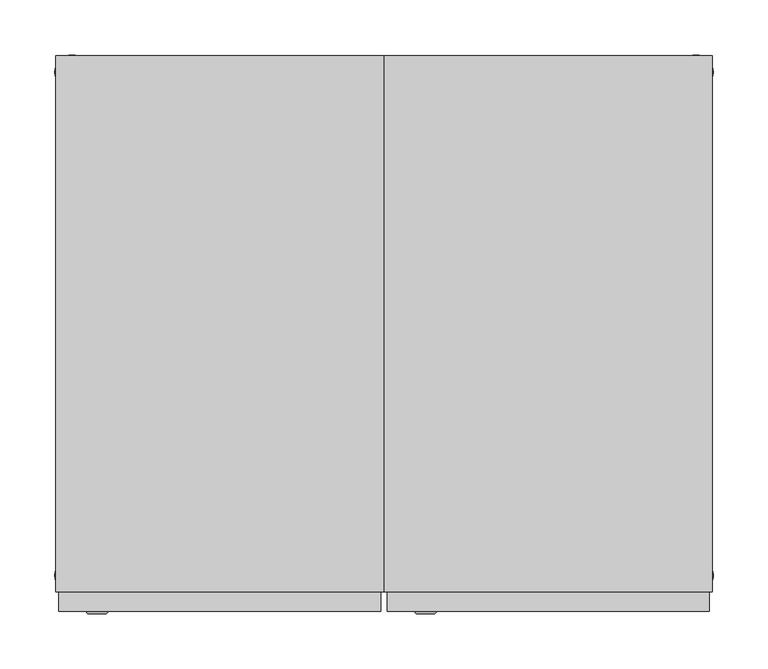
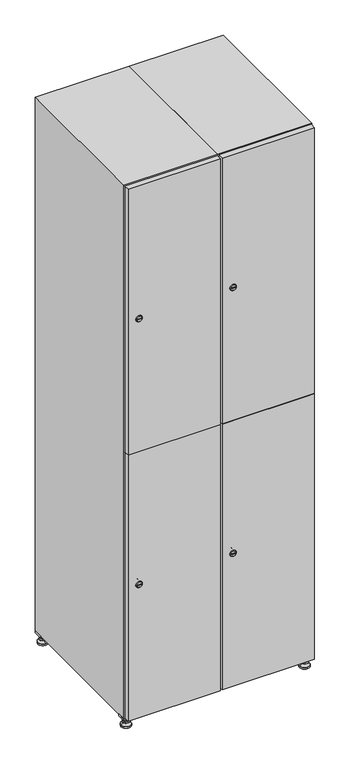
"""IFC4 building model written with IfcOpenShell, lengths in millimetres: furniture geometry."""

from ifc_helpers import new_model, si_unit, point, frame, frame_2d, origin, origin_with_axes, place, context, project, spatial, polyline, circle_curve, trimmed, segment, composite_curve, outline, extrude, faceted_brep, source, transform, mapped, element, save
from ifc_brep_helpers import plane_surface, revolved_surface, advanced_brep


def furniture_2d63f9cd(model_context):
    return source(origin(), model_context, "Body", "SolidModel", [
        extrude(outline(polyline([(400.0, 245.0), (400.0, 215.0), (370.0, 215.0), (370.0, 245.0), (400.0, 245.0)]), holes=[polyline([(398.0, 243.0), (372.0, 243.0), (372.0, 217.0), (398.0, 217.0), (398.0, 243.0)])]), frame((0.0, 0.0, 28.5), z_axis=(0.0, 0.0, 1.0), x_axis=(1.0, 0.0, 0.0)), (0.0, 0.0, 1.0), 6.5),
        extrude(outline(polyline([(370.0, -245.0), (370.0, -215.0), (400.0, -215.0), (400.0, -245.0), (370.0, -245.0)]), holes=[polyline([(372.0, -243.0), (398.0, -243.0), (398.0, -217.0), (372.0, -217.0), (372.0, -243.0)])]), frame((0.0, 0.0, 28.5), z_axis=(0.0, 0.0, 1.0), x_axis=(1.0, 0.0, 0.0)), (0.0, 0.0, 1.0), 6.5),
        extrude(outline(polyline([(-170.0, 245.0), (-170.0, 215.0), (-200.0, 215.0), (-200.0, 245.0), (-170.0, 245.0)]), holes=[polyline([(-172.0, 243.0), (-198.0, 243.0), (-198.0, 217.0), (-172.0, 217.0), (-172.0, 243.0)])]), frame((0.0, 0.0, 28.5), z_axis=(0.0, 0.0, 1.0), x_axis=(1.0, 0.0, 0.0)), (0.0, 0.0, 1.0), 6.5),
        extrude(outline(polyline([(-170.0, -215.0), (-170.0, -245.0), (-200.0, -245.0), (-200.0, -215.0), (-170.0, -215.0)]), holes=[polyline([(-198.0, -243.0), (-172.0, -243.0), (-172.0, -217.0), (-198.0, -217.0), (-198.0, -243.0)])]), frame((0.0, 0.0, 28.5), z_axis=(0.0, 0.0, 1.0), x_axis=(1.0, 0.0, 0.0)), (0.0, 0.0, 1.0), 6.5),
        extrude(outline(composite_curve([segment(trimmed(circle_curve(frame_2d((-185.0, 230.0)), 5.0), [point((-180.0, 230.0))], [point((-190.0, 230.0))], False, "CARTESIAN"), True, "CONTINUOUS"), segment(trimmed(circle_curve(frame_2d((-185.0, 230.0)), 5.0), [point((-190.0, 230.0))], [point((-180.0, 230.0))], False, "CARTESIAN"), True, "CONTINUOUS")], self_intersect=False)), frame((0.0, 0.0, 19.6), z_axis=(0.0, 0.0, 1.0), x_axis=(1.0, 0.0, 0.0)), (0.0, 0.0, 1.0), 15.4),
        extrude(outline(composite_curve([segment(trimmed(circle_curve(frame_2d((-185.0, -230.0)), 5.0), [point((-180.0, -230.0))], [point((-190.0, -230.0))], False, "CARTESIAN"), True, "CONTINUOUS"), segment(trimmed(circle_curve(frame_2d((-185.0, -230.0)), 5.0), [point((-190.0, -230.0))], [point((-180.0, -230.0))], False, "CARTESIAN"), True, "CONTINUOUS")], self_intersect=False)), frame((0.0, 0.0, 19.6), z_axis=(0.0, 0.0, 1.0), x_axis=(1.0, 0.0, 0.0)), (0.0, 0.0, 1.0), 15.4),
        extrude(outline(composite_curve([segment(trimmed(circle_curve(frame_2d((385.0, 230.0)), 5.0), [point((390.0, 230.0))], [point((380.0, 230.0))], False, "CARTESIAN"), True, "CONTINUOUS"), segment(trimmed(circle_curve(frame_2d((385.0, 230.0)), 5.0), [point((380.0, 230.0))], [point((390.0, 230.0))], False, "CARTESIAN"), True, "CONTINUOUS")], self_intersect=False)), frame((0.0, 0.0, 19.6), z_axis=(0.0, 0.0, 1.0), x_axis=(1.0, 0.0, 0.0)), (0.0, 0.0, 1.0), 15.4),
        extrude(outline(polyline([(373.4529946, 230.0), (379.2264973, 240.0), (390.7735027, 240.0), (396.5470054, 230.0), (390.7735027, 220.0), (379.2264973, 220.0), (373.4529946, 230.0)])), frame((0.0, 0.0, 13.6), z_axis=(0.0, 0.0, 1.0), x_axis=(1.0, 0.0, 0.0)), (0.0, 0.0, 1.0), 6.0),
        extrude(outline(composite_curve([segment(trimmed(circle_curve(frame_2d((385.0, -230.0)), 5.0), [point((390.0, -230.0))], [point((380.0, -230.0))], False, "CARTESIAN"), True, "CONTINUOUS"), segment(trimmed(circle_curve(frame_2d((385.0, -230.0)), 5.0), [point((380.0, -230.0))], [point((390.0, -230.0))], False, "CARTESIAN"), True, "CONTINUOUS")], self_intersect=False)), frame((0.0, 0.0, 19.6), z_axis=(0.0, 0.0, 1.0), x_axis=(1.0, 0.0, 0.0)), (0.0, 0.0, 1.0), 15.4),
        extrude(outline(polyline([(373.4529946, -230.0), (379.2264973, -220.0), (390.7735027, -220.0), (396.5470054, -230.0), (390.7735027, -240.0), (379.2264973, -240.0), (373.4529946, -230.0)])), frame((0.0, 0.0, 13.6), z_axis=(0.0, 0.0, 1.0), x_axis=(1.0, 0.0, 0.0)), (0.0, 0.0, 1.0), 6.0),
        extrude(outline(composite_curve([segment(trimmed(circle_curve(frame_2d((385.0, 230.0)), 5.0), [point((390.0, 230.0))], [point((380.0, 230.0))], False, "CARTESIAN"), True, "CONTINUOUS"), segment(trimmed(circle_curve(frame_2d((385.0, 230.0)), 5.0), [point((380.0, 230.0))], [point((390.0, 230.0))], False, "CARTESIAN"), True, "CONTINUOUS")], self_intersect=False)), frame((0.0, 0.0, 12.1), z_axis=(0.0, 0.0, 1.0), x_axis=(1.0, 0.0, 0.0)), (0.0, 0.0, 1.0), 1.5),
        extrude(outline(composite_curve([segment(trimmed(circle_curve(frame_2d((385.0, -230.0)), 5.0), [point((390.0, -230.0))], [point((380.0, -230.0))], False, "CARTESIAN"), True, "CONTINUOUS"), segment(trimmed(circle_curve(frame_2d((385.0, -230.0)), 5.0), [point((380.0, -230.0))], [point((390.0, -230.0))], False, "CARTESIAN"), True, "CONTINUOUS")], self_intersect=False)), frame((0.0, 0.0, 12.1), z_axis=(0.0, 0.0, 1.0), x_axis=(1.0, 0.0, 0.0)), (0.0, 0.0, 1.0), 1.5),
        extrude(outline(polyline([(-196.5470054, 230.0), (-190.7735027, 240.0), (-179.2264973, 240.0), (-173.4529946, 230.0), (-179.2264973, 220.0), (-190.7735027, 220.0), (-196.5470054, 230.0)])), frame((0.0, 0.0, 13.6), z_axis=(0.0, 0.0, 1.0), x_axis=(1.0, 0.0, 0.0)), (0.0, 0.0, 1.0), 6.0),
        extrude(outline(polyline([(-196.5470054, -230.0), (-190.7735027, -220.0), (-179.2264973, -220.0), (-173.4529946, -230.0), (-179.2264973, -240.0), (-190.7735027, -240.0), (-196.5470054, -230.0)])), frame((0.0, 0.0, 13.6), z_axis=(0.0, 0.0, 1.0), x_axis=(1.0, 0.0, 0.0)), (0.0, 0.0, 1.0), 6.0),
        extrude(outline(composite_curve([segment(trimmed(circle_curve(frame_2d((-185.0, 230.0)), 5.0), [point((-185.0, 235.0))], [point((-185.0, 225.0))], False, "CARTESIAN"), True, "CONTINUOUS"), segment(trimmed(circle_curve(frame_2d((-185.0, 230.0)), 5.0), [point((-185.0, 225.0))], [point((-185.0, 235.0))], False, "CARTESIAN"), True, "CONTINUOUS")], self_intersect=False)), frame((0.0, 0.0, 12.1), z_axis=(0.0, 0.0, 1.0), x_axis=(1.0, 0.0, 0.0)), (0.0, 0.0, 1.0), 1.5),
        extrude(outline(composite_curve([segment(trimmed(circle_curve(frame_2d((-185.0, -230.0)), 5.0), [point((-180.0, -230.0))], [point((-190.0, -230.0))], False, "CARTESIAN"), True, "CONTINUOUS"), segment(trimmed(circle_curve(frame_2d((-185.0, -230.0)), 5.0), [point((-190.0, -230.0))], [point((-180.0, -230.0))], False, "CARTESIAN"), True, "CONTINUOUS")], self_intersect=False)), frame((0.0, 0.0, 12.1), z_axis=(0.0, 0.0, 1.0), x_axis=(1.0, 0.0, 0.0)), (0.0, 0.0, 1.0), 1.5),
        extrude(outline(composite_curve([segment(trimmed(circle_curve(frame_2d((385.0, 230.0)), 15.75), [point((400.75, 230.0))], [point((369.25, 230.0))], False, "CARTESIAN"), True, "CONTINUOUS"), segment(trimmed(circle_curve(frame_2d((385.0, 230.0)), 15.75), [point((369.25, 230.0))], [point((400.75, 230.0))], False, "CARTESIAN"), True, "CONTINUOUS")], self_intersect=False)), origin_with_axes(), (0.0, 0.0, 1.0), 5.1),
        extrude(outline(composite_curve([segment(trimmed(circle_curve(frame_2d((385.0, -230.0)), 15.75), [point((385.0, -214.25))], [point((385.0, -245.75))], False, "CARTESIAN"), True, "CONTINUOUS"), segment(trimmed(circle_curve(frame_2d((385.0, -230.0)), 15.75), [point((385.0, -245.75))], [point((385.0, -214.25))], False, "CARTESIAN"), True, "CONTINUOUS")], self_intersect=False)), origin_with_axes(), (0.0, 0.0, 1.0), 5.1),
        extrude(outline(composite_curve([segment(trimmed(circle_curve(frame_2d((-185.0, -230.0)), 15.75), [point((-169.25, -230.0))], [point((-200.75, -230.0))], False, "CARTESIAN"), True, "CONTINUOUS"), segment(trimmed(circle_curve(frame_2d((-185.0, -230.0)), 15.75), [point((-200.75, -230.0))], [point((-169.25, -230.0))], False, "CARTESIAN"), True, "CONTINUOUS")], self_intersect=False)), origin_with_axes(), (0.0, 0.0, 1.0), 5.1),
        extrude(outline(composite_curve([segment(trimmed(circle_curve(frame_2d((-185.0, 230.0)), 15.75), [point((-169.25, 230.0))], [point((-200.75, 230.0))], False, "CARTESIAN"), True, "CONTINUOUS"), segment(trimmed(circle_curve(frame_2d((-185.0, 230.0)), 15.75), [point((-200.75, 230.0))], [point((-169.25, 230.0))], False, "CARTESIAN"), True, "CONTINUOUS")], self_intersect=False)), origin_with_axes(), (0.0, 0.0, 1.0), 5.1),
        advanced_brep(
        [(-185.0, 239.5, 12.1), (-185.0, 220.5, 12.1), (-185.0, 214.25, 5.1), (-185.0, 245.75, 5.1)],
        [
            (0, 1, circle_curve(frame((-185.0, 230.0, 12.1), z_axis=(0.0, 0.0, -1.0), x_axis=(0.0, 1.0, 0.0)), 9.5)),
            (1, 2),
            (2, 3, circle_curve(frame((-185.0, 230.0, 5.1), z_axis=(0.0, 0.0, 1.0), x_axis=(0.0, 1.0, 0.0)), 15.75)),
            (3, 0),
            (1, 0, circle_curve(frame((-185.0, 230.0, 12.1), z_axis=(0.0, 0.0, -1.0), x_axis=(0.0, -1.0, 0.0)), 9.5)),
            (3, 2, circle_curve(frame((-185.0, 230.0, 5.1), z_axis=(0.0, 0.0, 1.0), x_axis=(0.0, -1.0, 0.0)), 15.75)),
        ],
        [
            revolved_surface(polyline([(-185.0, 220.5, 12.099999999999998), (-185.0, 214.25, 5.099999999999998)]), (-185.0, 230.0, 22.74), (0.0, 0.0, -1.0)),
            revolved_surface(polyline([(-185.0, 239.5, 12.099999999999998), (-185.0, 245.75, 5.099999999999998)]), (-185.0, 230.0, 22.74), (0.0, 0.0, -1.0)),
            plane_surface(frame((-185.0, 230.0, 5.1), z_axis=(0.0, 0.0, -1.0), x_axis=(1.0, 0.0, 0.0))),
            plane_surface(frame((-185.0, 230.0, 12.1), z_axis=(0.0, 0.0, 1.0), x_axis=(1.0, 0.0, 0.0))),
        ],
        [
            (0, [[1, 2, 3, 4]]),
            (1, [[5, -4, 6, -2]]),
            (2, [[-3, -6]]),
            (3, [[-5, -1]]),
        ],
    ),
        advanced_brep(
        [(385.0, 239.5, 12.1), (385.0, 220.5, 12.1), (385.0, 214.25, 5.1), (385.0, 245.75, 5.1)],
        [
            (0, 1, circle_curve(frame((385.0, 230.0, 12.1), z_axis=(0.0, 0.0, -1.0), x_axis=(0.0, 1.0, 0.0)), 9.5)),
            (1, 2),
            (2, 3, circle_curve(frame((385.0, 230.0, 5.1), z_axis=(0.0, 0.0, 1.0), x_axis=(0.0, 1.0, 0.0)), 15.75)),
            (3, 0),
            (1, 0, circle_curve(frame((385.0, 230.0, 12.1), z_axis=(0.0, 0.0, -1.0), x_axis=(0.0, -1.0, 0.0)), 9.5)),
            (3, 2, circle_curve(frame((385.0, 230.0, 5.1), z_axis=(0.0, 0.0, 1.0), x_axis=(0.0, -1.0, 0.0)), 15.75)),
        ],
        [
            revolved_surface(polyline([(385.0, 220.5, 12.099999999999998), (385.0, 214.25, 5.099999999999998)]), (385.0, 230.0, 22.74), (0.0, 0.0, -1.0)),
            revolved_surface(polyline([(385.0, 239.5, 12.099999999999998), (385.0, 245.75, 5.099999999999998)]), (385.0, 230.0, 22.74), (0.0, 0.0, -1.0)),
            plane_surface(frame((385.0, 230.0, 5.1), z_axis=(0.0, 0.0, -1.0), x_axis=(1.0, 0.0, 0.0))),
            plane_surface(frame((385.0, 230.0, 12.1), z_axis=(0.0, 0.0, 1.0), x_axis=(1.0, 0.0, 0.0))),
        ],
        [
            (0, [[1, 2, 3, 4]]),
            (1, [[5, -4, 6, -2]]),
            (2, [[-3, -6]]),
            (3, [[-5, -1]]),
        ],
    ),
        advanced_brep(
        [(400.75, -230.0, 5.1), (369.25, -230.0, 5.1), (375.5, -230.0, 12.1), (394.5, -230.0, 12.1)],
        [
            (0, 1, circle_curve(frame((385.0, -230.0, 5.1), z_axis=(0.0, 0.0, 1.0), x_axis=(1.0, 0.0, 0.0)), 15.75)),
            (1, 2),
            (2, 3, circle_curve(frame((385.0, -230.0, 12.1), z_axis=(0.0, 0.0, -1.0), x_axis=(1.0, 0.0, 0.0)), 9.5)),
            (3, 0),
            (1, 0, circle_curve(frame((385.0, -230.0, 5.1), z_axis=(0.0, 0.0, 1.0), x_axis=(-1.0, 0.0, 0.0)), 15.75)),
            (3, 2, circle_curve(frame((385.0, -230.0, 12.1), z_axis=(0.0, 0.0, -1.0), x_axis=(-1.0, 0.0, 0.0)), 9.5)),
        ],
        [
            revolved_surface(polyline([(394.5, -230.0, 12.099999999999998), (400.75, -230.0, 5.099999999999998)]), (385.0, -230.0, 22.74), (0.0, 0.0, -1.0)),
            revolved_surface(polyline([(375.5, -230.0, 12.099999999999998), (369.25, -230.0, 5.099999999999998)]), (385.0, -230.0, 22.74), (0.0, 0.0, -1.0)),
            plane_surface(frame((385.0, -230.0, 12.1), z_axis=(0.0, 0.0, 1.0), x_axis=(0.0, 1.0, 0.0))),
            plane_surface(frame((385.0, -230.0, 5.1), z_axis=(0.0, 0.0, -1.0), x_axis=(0.0, 1.0, 0.0))),
        ],
        [
            (0, [[1, 2, 3, 4]]),
            (1, [[5, -4, 6, -2]]),
            (2, [[-3, -6]]),
            (3, [[-5, -1]]),
        ],
    ),
        advanced_brep(
        [(-169.25, -230.0, 5.1), (-200.75, -230.0, 5.1), (-194.5, -230.0, 12.1), (-175.5, -230.0, 12.1)],
        [
            (0, 1, circle_curve(frame((-185.0, -230.0, 5.1), z_axis=(0.0, 0.0, 1.0), x_axis=(1.0, 0.0, 0.0)), 15.75)),
            (1, 2),
            (2, 3, circle_curve(frame((-185.0, -230.0, 12.1), z_axis=(0.0, 0.0, -1.0), x_axis=(1.0, 0.0, 0.0)), 9.5)),
            (3, 0),
            (1, 0, circle_curve(frame((-185.0, -230.0, 5.1), z_axis=(0.0, 0.0, 1.0), x_axis=(-1.0, 0.0, 0.0)), 15.75)),
            (3, 2, circle_curve(frame((-185.0, -230.0, 12.1), z_axis=(0.0, 0.0, -1.0), x_axis=(-1.0, 0.0, 0.0)), 9.5)),
        ],
        [
            revolved_surface(polyline([(-175.5, -230.0, 12.099999999999998), (-169.25, -230.0, 5.099999999999998)]), (-185.0, -230.0, 22.74), (0.0, 0.0, -1.0)),
            revolved_surface(polyline([(-194.5, -230.0, 12.099999999999998), (-200.75, -230.0, 5.099999999999998)]), (-185.0, -230.0, 22.74), (0.0, 0.0, -1.0)),
            plane_surface(frame((-185.0, -230.0, 12.1), z_axis=(0.0, 0.0, 1.0), x_axis=(0.0, 1.0, 0.0))),
            plane_surface(frame((-185.0, -230.0, 5.1), z_axis=(0.0, 0.0, -1.0), x_axis=(0.0, 1.0, 0.0))),
        ],
        [
            (0, [[1, 2, 3, 4]]),
            (1, [[5, -4, 6, -2]]),
            (2, [[-3, -6]]),
            (3, [[-5, -1]]),
        ],
    ),
        extrude(outline(composite_curve([segment(trimmed(circle_curve(frame_2d((486.5, 111.2010534)), 7.0), [point((493.5, 111.2010534))], [point((479.5, 111.2010534))], False, "CARTESIAN"), True, "CONTINUOUS"), segment(polyline([(479.5, 111.2010534), (479.5, 139.2010534)]), True, "CONTINUOUS"), segment(trimmed(circle_curve(frame_2d((486.5, 139.2010534)), 7.0), [point((479.5, 139.2010534))], [point((493.5, 139.2010534))], False, "CARTESIAN"), True, "CONTINUOUS"), segment(polyline([(493.5, 139.2010534), (493.5, 111.2010534)]), True, "CONTINUOUS")], self_intersect=False)), frame((0.0, -245.0, 0.0), z_axis=(0.0, 1.0, 0.0), x_axis=(0.0, 0.0, 1.0)), (0.0, 0.0, 1.0), 2.0),
        advanced_brep(
        [(146.5, -265.2, 486.5), (129.5, -265.2, 486.5), (133.0, -265.2, 485.25), (133.0, -265.2, 487.75), (143.0, -265.2, 487.75), (143.0, -265.2, 485.25), (148.5, -263.0, 486.5), (127.5, -263.0, 486.5), (133.0, -263.0, 487.75), (133.0, -263.0, 485.25), (143.0, -263.0, 485.25), (143.0, -263.0, 487.75)],
        [
            (0, 1, circle_curve(frame((138.0, -265.2, 486.5), z_axis=(0.0, -1.0, 0.0), x_axis=(1.0, 0.0, 0.0)), 8.5)),
            (1, 0, circle_curve(frame((138.0, -265.2, 486.5), z_axis=(0.0, -1.0, 0.0), x_axis=(-1.0, 0.0, 0.0)), 8.5)),
            (2, 3),
            (3, 4),
            (4, 5),
            (5, 2),
            (6, 7, circle_curve(frame((138.0, -263.0, 486.5), z_axis=(0.0, 1.0, 0.0), x_axis=(-1.0, 0.0, 0.0)), 10.5)),
            (7, 6, circle_curve(frame((138.0, -263.0, 486.5), z_axis=(0.0, 1.0, 0.0), x_axis=(1.0, 0.0, 0.0)), 10.5)),
            (8, 9),
            (9, 10),
            (10, 11),
            (11, 8),
            (0, 6),
            (7, 1),
            (8, 3),
            (2, 9),
            (11, 4),
            (10, 5),
        ],
        [
            plane_surface(frame((138.0, -265.2, 486.5), z_axis=(0.0, -1.0, 0.0), x_axis=(0.0, 0.0, 1.0))),
            plane_surface(frame((138.0, -263.0, 486.5), z_axis=(0.0, 1.0, 0.0), x_axis=(0.0, 0.0, 1.0))),
            revolved_surface(polyline([(146.5, -265.2, 486.5), (148.5, -263.0, 486.5)]), (138.0, -274.55, 486.5), (0.0, 1.0, 0.0)),
            revolved_surface(polyline([(129.5, -265.2, 486.5), (127.5, -263.0, 486.5)]), (138.0, -274.55, 486.5), (0.0, 1.0, 0.0)),
            plane_surface(frame((133.0, -263.0, 485.25), z_axis=(1.0, 0.0, 0.0), x_axis=(0.0, -1.0, 0.0))),
            plane_surface(frame((133.0, -263.0, 487.75), z_axis=(0.0, 0.0, -1.0), x_axis=(0.0, -1.0, 0.0))),
            plane_surface(frame((143.0, -263.0, 487.75), z_axis=(-1.0, 0.0, 0.0), x_axis=(0.0, -1.0, 0.0))),
            plane_surface(frame((143.0, -263.0, 485.25), z_axis=(0.0, 0.0, 1.0), x_axis=(0.0, -1.0, 0.0))),
        ],
        [
            (0, [[1, 2], [3, 4, 5, 6]]),
            (1, [[7, 8], [9, 10, 11, 12]]),
            (2, [[-1, 13, -8, 14]]),
            (3, [[-2, -14, -7, -13]]),
            (4, [[15, -3, 16, -9]]),
            (5, [[-15, -12, 17, -4]]),
            (6, [[-17, -11, 18, -5]]),
            (7, [[-16, -6, -18, -10]]),
        ],
    ),
        extrude(outline(composite_curve([segment(trimmed(circle_curve(frame_2d((1383.5, 111.2010534)), 7.0), [point((1390.5, 111.2010534))], [point((1376.5, 111.2010534))], False, "CARTESIAN"), True, "CONTINUOUS"), segment(polyline([(1376.5, 111.2010534), (1376.5, 139.2010534)]), True, "CONTINUOUS"), segment(trimmed(circle_curve(frame_2d((1383.5, 139.2010534)), 7.0), [point((1376.5, 139.2010534))], [point((1390.5, 139.2010534))], False, "CARTESIAN"), True, "CONTINUOUS"), segment(polyline([(1390.5, 139.2010534), (1390.5, 111.2010534)]), True, "CONTINUOUS")], self_intersect=False)), frame((0.0, -245.0, 0.0), z_axis=(0.0, 1.0, 0.0), x_axis=(0.0, 0.0, 1.0)), (0.0, 0.0, 1.0), 2.0),
        advanced_brep(
        [(146.5, -265.2, 1383.5), (129.5, -265.2, 1383.5), (133.0, -265.2, 1382.25), (133.0, -265.2, 1384.75), (143.0, -265.2, 1384.75), (143.0, -265.2, 1382.25), (148.5, -263.0, 1383.5), (127.5, -263.0, 1383.5), (133.0, -263.0, 1384.75), (133.0, -263.0, 1382.25), (143.0, -263.0, 1382.25), (143.0, -263.0, 1384.75)],
        [
            (0, 1, circle_curve(frame((138.0, -265.2, 1383.5), z_axis=(0.0, -1.0, 0.0), x_axis=(1.0, 0.0, 0.0)), 8.5)),
            (1, 0, circle_curve(frame((138.0, -265.2, 1383.5), z_axis=(0.0, -1.0, 0.0), x_axis=(-1.0, 0.0, 0.0)), 8.5)),
            (2, 3),
            (3, 4),
            (4, 5),
            (5, 2),
            (6, 7, circle_curve(frame((138.0, -263.0, 1383.5), z_axis=(0.0, 1.0, 0.0), x_axis=(-1.0, 0.0, 0.0)), 10.5)),
            (7, 6, circle_curve(frame((138.0, -263.0, 1383.5), z_axis=(0.0, 1.0, 0.0), x_axis=(1.0, 0.0, 0.0)), 10.5)),
            (8, 9),
            (9, 10),
            (10, 11),
            (11, 8),
            (0, 6),
            (7, 1),
            (8, 3),
            (2, 9),
            (11, 4),
            (10, 5),
        ],
        [
            plane_surface(frame((138.0, -265.2, 1383.5), z_axis=(0.0, -1.0, 0.0), x_axis=(0.0, 0.0, 1.0))),
            plane_surface(frame((138.0, -263.0, 1383.5), z_axis=(0.0, 1.0, 0.0), x_axis=(0.0, 0.0, 1.0))),
            revolved_surface(polyline([(146.5, -265.2, 1383.5), (148.5, -263.0, 1383.5)]), (138.0, -274.55, 1383.5), (0.0, 1.0, 0.0)),
            revolved_surface(polyline([(129.5, -265.2, 1383.5), (127.5, -263.0, 1383.5)]), (138.0, -274.55, 1383.5), (0.0, 1.0, 0.0)),
            plane_surface(frame((133.0, -263.0, 1382.25), z_axis=(1.0, 0.0, 0.0), x_axis=(0.0, -1.0, 0.0))),
            plane_surface(frame((133.0, -263.0, 1384.75), z_axis=(0.0, 0.0, -1.0), x_axis=(0.0, -1.0, 0.0))),
            plane_surface(frame((143.0, -263.0, 1384.75), z_axis=(-1.0, 0.0, 0.0), x_axis=(0.0, -1.0, 0.0))),
            plane_surface(frame((143.0, -263.0, 1382.25), z_axis=(0.0, 0.0, 1.0), x_axis=(0.0, -1.0, 0.0))),
        ],
        [
            (0, [[1, 2], [3, 4, 5, 6]]),
            (1, [[7, 8], [9, 10, 11, 12]]),
            (2, [[-1, 13, -8, 14]]),
            (3, [[-2, -14, -7, -13]]),
            (4, [[15, -3, 16, -9]]),
            (5, [[-15, -12, 17, -4]]),
            (6, [[-17, -11, 18, -5]]),
            (7, [[-16, -6, -18, -10]]),
        ],
    ),
        extrude(outline(polyline([(103.0, -263.0), (103.0, -245.0), (397.0, -245.0), (397.0, -263.0), (103.0, -263.0)])), frame((0.0, 0.0, 38.0), z_axis=(0.0, 0.0, 1.0), x_axis=(1.0, 0.0, 0.0)), (0.0, 0.0, 1.0), 896.5),
        extrude(outline(polyline([(397.0, -245.0), (397.0, -263.0), (103.0, -263.0), (103.0, -245.0), (397.0, -245.0)])), frame((0.0, 0.0, 935.5), z_axis=(0.0, 0.0, 1.0), x_axis=(1.0, 0.0, 0.0)), (0.0, 0.0, 1.0), 896.5),
        extrude(outline(polyline([(379.6, 242.0), (379.6, -227.0), (120.4, -227.0), (120.4, 242.0), (379.6, 242.0)])), frame((0.0, 0.0, 924.8), z_axis=(0.0, 0.0, 1.0), x_axis=(1.0, 0.0, 0.0)), (0.0, 0.0, 1.0), 20.4),
        faceted_brep([(400.0, -245.0, 35.0), (400.0, -245.0, 1835.0), (100.0, -245.0, 1835.0), (100.0, -245.0, 35.0), (379.6, -245.0, 1804.8), (379.6, -245.0, 65.2), (120.4, -245.0, 65.2), (120.4, -245.0, 1804.8), (400.0, 245.0, 35.0), (100.0, 245.0, 35.0), (400.0, 245.0, 1835.0), (100.0, 245.0, 1835.0), (379.6, 242.0, 1804.8), (379.6, 242.0, 65.2), (100.0, 245.0, 1804.8), (120.4, 242.0, 1804.8), (120.4, 242.0, 65.2)], [[[0, 1, 2, 3], [4, 5, 6, 7]], [[8, 0, 3, 9]], [[1, 0, 8, 10]], [[1, 10, 11, 2]], [[4, 12, 13, 5]], [[9, 3, 2, 11, 14]], [[10, 8, 9, 14, 11]], [[12, 15, 16, 13]], [[15, 7, 6, 16]], [[4, 7, 15, 12]], [[6, 5, 13, 16]]]),
        extrude(outline(composite_curve([segment(trimmed(circle_curve(frame_2d((486.5, -188.7989466)), 7.0), [point((493.5, -188.7989466))], [point((479.5, -188.7989466))], False, "CARTESIAN"), True, "CONTINUOUS"), segment(polyline([(479.5, -188.7989466), (479.5, -160.7989466)]), True, "CONTINUOUS"), segment(trimmed(circle_curve(frame_2d((486.5, -160.7989466)), 7.0), [point((479.5, -160.7989466))], [point((493.5, -160.7989466))], False, "CARTESIAN"), True, "CONTINUOUS"), segment(polyline([(493.5, -160.7989466), (493.5, -188.7989466)]), True, "CONTINUOUS")], self_intersect=False)), frame((0.0, -245.0, 0.0), z_axis=(0.0, 1.0, 0.0), x_axis=(0.0, 0.0, 1.0)), (0.0, 0.0, 1.0), 2.0),
        advanced_brep(
        [(-153.5, -265.2, 486.5), (-170.5, -265.2, 486.5), (-167.0, -265.2, 485.25), (-167.0, -265.2, 487.75), (-157.0, -265.2, 487.75), (-157.0, -265.2, 485.25), (-151.5, -263.0, 486.5), (-172.5, -263.0, 486.5), (-167.0, -263.0, 487.75), (-167.0, -263.0, 485.25), (-157.0, -263.0, 485.25), (-157.0, -263.0, 487.75)],
        [
            (0, 1, circle_curve(frame((-162.0, -265.2, 486.5), z_axis=(0.0, -1.0, 0.0), x_axis=(1.0, 0.0, 0.0)), 8.5)),
            (1, 0, circle_curve(frame((-162.0, -265.2, 486.5), z_axis=(0.0, -1.0, 0.0), x_axis=(-1.0, 0.0, 0.0)), 8.5)),
            (2, 3),
            (3, 4),
            (4, 5),
            (5, 2),
            (6, 7, circle_curve(frame((-162.0, -263.0, 486.5), z_axis=(0.0, 1.0, 0.0), x_axis=(-1.0, 0.0, 0.0)), 10.5)),
            (7, 6, circle_curve(frame((-162.0, -263.0, 486.5), z_axis=(0.0, 1.0, 0.0), x_axis=(1.0, 0.0, 0.0)), 10.5)),
            (8, 9),
            (9, 10),
            (10, 11),
            (11, 8),
            (0, 6),
            (7, 1),
            (8, 3),
            (2, 9),
            (11, 4),
            (10, 5),
        ],
        [
            plane_surface(frame((-162.0, -265.2, 486.5), z_axis=(0.0, -1.0, 0.0), x_axis=(0.0, 0.0, 1.0))),
            plane_surface(frame((-162.0, -263.0, 486.5), z_axis=(0.0, 1.0, 0.0), x_axis=(0.0, 0.0, 1.0))),
            revolved_surface(polyline([(-153.5, -265.2, 486.5), (-151.5, -263.0, 486.5)]), (-162.0, -274.55, 486.5), (0.0, 1.0, 0.0)),
            revolved_surface(polyline([(-170.5, -265.2, 486.5), (-172.5, -263.0, 486.5)]), (-162.0, -274.55, 486.5), (0.0, 1.0, 0.0)),
            plane_surface(frame((-167.0, -263.0, 485.25), z_axis=(1.0, 0.0, 0.0), x_axis=(0.0, -1.0, 0.0))),
            plane_surface(frame((-167.0, -263.0, 487.75), z_axis=(0.0, 0.0, -1.0), x_axis=(0.0, -1.0, 0.0))),
            plane_surface(frame((-157.0, -263.0, 487.75), z_axis=(-1.0, 0.0, 0.0), x_axis=(0.0, -1.0, 0.0))),
            plane_surface(frame((-157.0, -263.0, 485.25), z_axis=(0.0, 0.0, 1.0), x_axis=(0.0, -1.0, 0.0))),
        ],
        [
            (0, [[1, 2], [3, 4, 5, 6]]),
            (1, [[7, 8], [9, 10, 11, 12]]),
            (2, [[-1, 13, -8, 14]]),
            (3, [[-2, -14, -7, -13]]),
            (4, [[15, -3, 16, -9]]),
            (5, [[-15, -12, 17, -4]]),
            (6, [[-17, -11, 18, -5]]),
            (7, [[-16, -6, -18, -10]]),
        ],
    ),
        extrude(outline(composite_curve([segment(trimmed(circle_curve(frame_2d((1383.5, -188.7989466)), 7.0), [point((1390.5, -188.7989466))], [point((1376.5, -188.7989466))], False, "CARTESIAN"), True, "CONTINUOUS"), segment(polyline([(1376.5, -188.7989466), (1376.5, -160.7989466)]), True, "CONTINUOUS"), segment(trimmed(circle_curve(frame_2d((1383.5, -160.7989466)), 7.0), [point((1376.5, -160.7989466))], [point((1390.5, -160.7989466))], False, "CARTESIAN"), True, "CONTINUOUS"), segment(polyline([(1390.5, -160.7989466), (1390.5, -188.7989466)]), True, "CONTINUOUS")], self_intersect=False)), frame((0.0, -245.0, 0.0), z_axis=(0.0, 1.0, 0.0), x_axis=(0.0, 0.0, 1.0)), (0.0, 0.0, 1.0), 2.0),
        advanced_brep(
        [(-153.5, -265.2, 1383.5), (-170.5, -265.2, 1383.5), (-167.0, -265.2, 1382.25), (-167.0, -265.2, 1384.75), (-157.0, -265.2, 1384.75), (-157.0, -265.2, 1382.25), (-151.5, -263.0, 1383.5), (-172.5, -263.0, 1383.5), (-167.0, -263.0, 1384.75), (-167.0, -263.0, 1382.25), (-157.0, -263.0, 1382.25), (-157.0, -263.0, 1384.75)],
        [
            (0, 1, circle_curve(frame((-162.0, -265.2, 1383.5), z_axis=(0.0, -1.0, 0.0), x_axis=(1.0, 0.0, 0.0)), 8.5)),
            (1, 0, circle_curve(frame((-162.0, -265.2, 1383.5), z_axis=(0.0, -1.0, 0.0), x_axis=(-1.0, 0.0, 0.0)), 8.5)),
            (2, 3),
            (3, 4),
            (4, 5),
            (5, 2),
            (6, 7, circle_curve(frame((-162.0, -263.0, 1383.5), z_axis=(0.0, 1.0, 0.0), x_axis=(-1.0, 0.0, 0.0)), 10.5)),
            (7, 6, circle_curve(frame((-162.0, -263.0, 1383.5), z_axis=(0.0, 1.0, 0.0), x_axis=(1.0, 0.0, 0.0)), 10.5)),
            (8, 9),
            (9, 10),
            (10, 11),
            (11, 8),
            (0, 6),
            (7, 1),
            (8, 3),
            (2, 9),
            (11, 4),
            (10, 5),
        ],
        [
            plane_surface(frame((-162.0, -265.2, 1383.5), z_axis=(0.0, -1.0, 0.0), x_axis=(0.0, 0.0, 1.0))),
            plane_surface(frame((-162.0, -263.0, 1383.5), z_axis=(0.0, 1.0, 0.0), x_axis=(0.0, 0.0, 1.0))),
            revolved_surface(polyline([(-153.5, -265.2, 1383.5), (-151.5, -263.0, 1383.5)]), (-162.0, -274.55, 1383.5), (0.0, 1.0, 0.0)),
            revolved_surface(polyline([(-170.5, -265.2, 1383.5), (-172.5, -263.0, 1383.5)]), (-162.0, -274.55, 1383.5), (0.0, 1.0, 0.0)),
            plane_surface(frame((-167.0, -263.0, 1382.25), z_axis=(1.0, 0.0, 0.0), x_axis=(0.0, -1.0, 0.0))),
            plane_surface(frame((-167.0, -263.0, 1384.75), z_axis=(0.0, 0.0, -1.0), x_axis=(0.0, -1.0, 0.0))),
            plane_surface(frame((-157.0, -263.0, 1384.75), z_axis=(-1.0, 0.0, 0.0), x_axis=(0.0, -1.0, 0.0))),
            plane_surface(frame((-157.0, -263.0, 1382.25), z_axis=(0.0, 0.0, 1.0), x_axis=(0.0, -1.0, 0.0))),
        ],
        [
            (0, [[1, 2], [3, 4, 5, 6]]),
            (1, [[7, 8], [9, 10, 11, 12]]),
            (2, [[-1, 13, -8, 14]]),
            (3, [[-2, -14, -7, -13]]),
            (4, [[15, -3, 16, -9]]),
            (5, [[-15, -12, 17, -4]]),
            (6, [[-17, -11, 18, -5]]),
            (7, [[-16, -6, -18, -10]]),
        ],
    ),
        extrude(outline(polyline([(-197.0, -263.0), (-197.0, -245.0), (97.0, -245.0), (97.0, -263.0), (-197.0, -263.0)])), frame((0.0, 0.0, 38.0), z_axis=(0.0, 0.0, 1.0), x_axis=(1.0, 0.0, 0.0)), (0.0, 0.0, 1.0), 896.5),
        extrude(outline(polyline([(97.0, -245.0), (97.0, -263.0), (-197.0, -263.0), (-197.0, -245.0), (97.0, -245.0)])), frame((0.0, 0.0, 935.5), z_axis=(0.0, 0.0, 1.0), x_axis=(1.0, 0.0, 0.0)), (0.0, 0.0, 1.0), 896.5),
        extrude(outline(polyline([(79.6, 242.0), (79.6, -227.0), (-179.6, -227.0), (-179.6, 242.0), (79.6, 242.0)])), frame((0.0, 0.0, 924.8), z_axis=(0.0, 0.0, 1.0), x_axis=(1.0, 0.0, 0.0)), (0.0, 0.0, 1.0), 20.4),
        faceted_brep([(100.0, -245.0, 35.0), (100.0, -245.0, 1835.0), (-200.0, -245.0, 1835.0), (-200.0, -245.0, 35.0), (79.6, -245.0, 1804.8), (79.6, -245.0, 65.2), (-179.6, -245.0, 65.2), (-179.6, -245.0, 1804.8), (100.0, 245.0, 35.0), (-200.0, 245.0, 35.0), (100.0, 245.0, 1835.0), (-200.0, 245.0, 1835.0), (79.6, 242.0, 1804.8), (79.6, 242.0, 65.2), (-200.0, 245.0, 1804.8), (-179.6, 242.0, 1804.8), (-179.6, 242.0, 65.2)], [[[0, 1, 2, 3], [4, 5, 6, 7]], [[8, 0, 3, 9]], [[1, 0, 8, 10]], [[1, 10, 11, 2]], [[4, 12, 13, 5]], [[9, 3, 2, 11, 14]], [[10, 8, 9, 14, 11]], [[12, 15, 16, 13]], [[15, 7, 6, 16]], [[4, 7, 15, 12]], [[6, 5, 13, 16]]]),
    ])


if __name__ == "__main__":
    model = new_model("IFC4")
    model_context = context("Model", 3, world=origin())
    ifc_project = project(units=[si_unit("LENGTHUNIT", "METRE", prefix="MILLI")], contexts=[model_context])
    site = spatial("IfcSite", under=ifc_project)
    building = spatial("IfcBuilding", under=site)
    placement = place(None, origin())
    furniture_shape = furniture_2d63f9cd(model_context)
    element("IfcFurniture", 1, at=placement, inside=building, context=model_context, shape_type="MappedRepresentation", body=[
        mapped(furniture_shape, transform((0.0, 0.0, 0.0), x_axis=(1.0, 0.0, 0.0), y_axis=(0.0, 1.0, 0.0), z_axis=(0.0, 0.0, 1.0))),
    ])
    save(model, "model.ifc")
